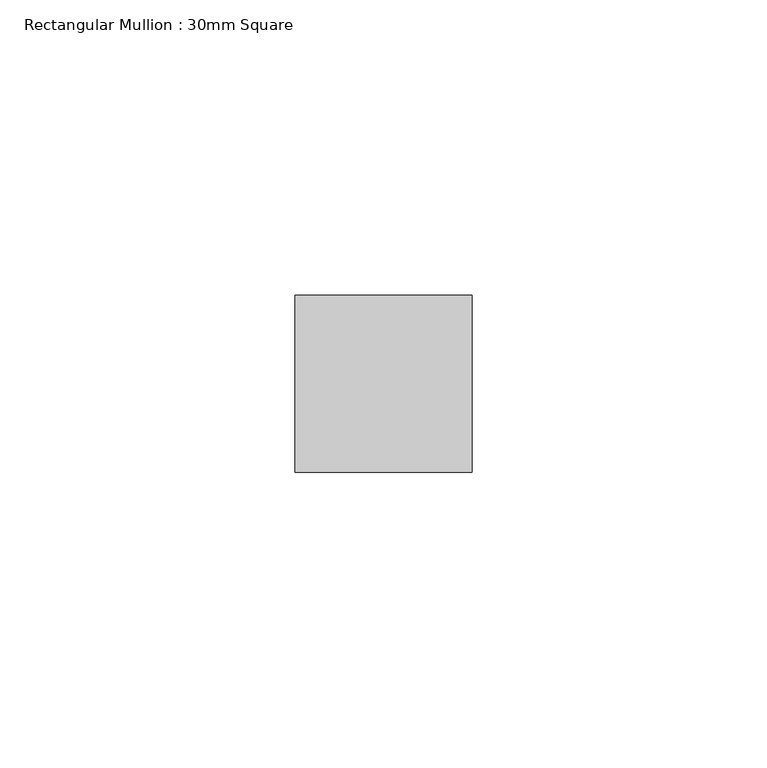
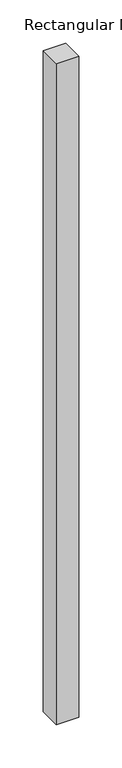
"""IFC4 building model written with IfcOpenShell, lengths in millimetres: member geometry, Rectangular Mullion : 30mm Square."""

from ifc_helpers import new_model, si_unit, frame, origin, place, context, project, spatial, polyline, outline, extrude, source, transform, mapped, element, save


def rectangular_mullion_30mm_square_19d8e7f0(model_context):
    return source(origin(), model_context, "Body", "SweptSolid", [
        extrude(outline(polyline([(0.0, 15.0), (0.0, -15.0), (-30.0, -15.0), (-30.0, 15.0), (0.0, 15.0)])), frame((0.0, 0.0, -933.5619948), z_axis=(0.0, 0.0, 1.0), x_axis=(1.0, 0.0, 0.0)), (0.0, 0.0, 1.0), 933.5619948),
    ])


if __name__ == "__main__":
    model = new_model("IFC4")
    model_context = context("Model", 3, world=origin())
    ifc_project = project(units=[si_unit("LENGTHUNIT", "METRE", prefix="MILLI")], contexts=[model_context])
    site = spatial("IfcSite", under=ifc_project)
    building = spatial("IfcBuilding", under=site)
    placement = place(None, origin())
    rectangular_mullion_30mm_square_shape = rectangular_mullion_30mm_square_19d8e7f0(model_context)
    element("IfcMember", 1, ObjectType="Rectangular Mullion : 30mm Square", at=placement, inside=building, context=model_context, shape_type="MappedRepresentation", body=[
        mapped(rectangular_mullion_30mm_square_shape, transform((0.0, 0.0, 0.0), x_axis=(1.0, 0.0, 0.0), y_axis=(0.0, 1.0, 0.0), z_axis=(0.0, 0.0, 1.0))),
    ])
    save(model, "model.ifc")
